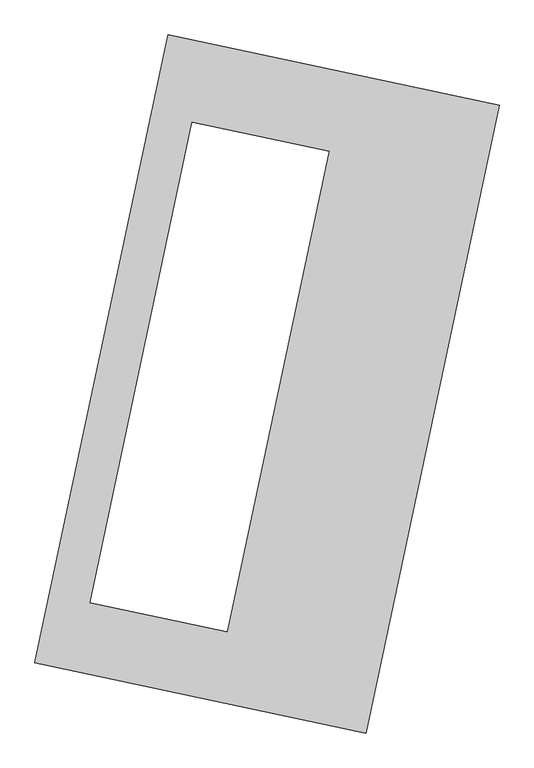
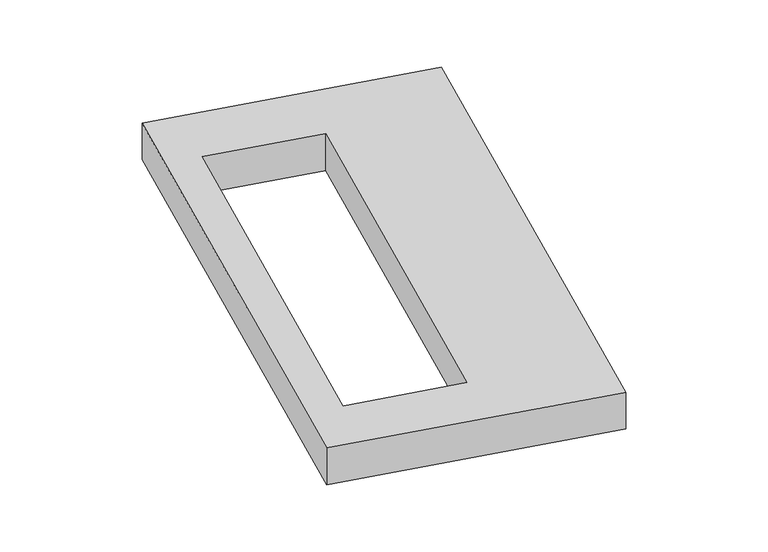
"""IFC4 building model written with IfcOpenShell, lengths in millimetres: proxy geometry."""

import ifcopenshell
import ifcopenshell.guid

model = None  # the IFC model being written
_history = None  # IfcOwnerHistory: only IFC2X3 demands one
_inside = {}  # id of a spatial element -> (the spatial element, [elements in it])
_under = {}  # id of a project, library or spatial element -> (it, [spatial elements below it])
_declared = {}  # id of a project -> (the project, [libraries it declares])
_typed = {}  # id of a type object -> (the type object, [elements of that type])
_made_of = {}  # id of a material, layer set ... -> (it, [elements and type objects made of it])


def new_model(schema):
    """Start an empty IFC model of exactly this schema.

    Asked for "IFC4X3", IfcOpenShell would pick the latest addendum, in which some entities
    have other attributes; the version numbers below select the first issue.
    IFC2X3 requires an IfcOwnerHistory on every rooted entity: one is made here for all.
    """
    global model, _history
    if schema == "IFC4X3":
        model = ifcopenshell.file(schema_version=(4, 3, 0, 0))
    else:
        model = ifcopenshell.file(schema=schema)
    _inside.clear()
    _under.clear()
    _declared.clear()
    _typed.clear()
    _made_of.clear()
    _history = None
    if model.schema == "IFC2X3":
        org = make("IfcOrganization", Name="unknown")
        user = make(
            "IfcPersonAndOrganization",
            ThePerson=make("IfcPerson", FamilyName="unknown"),
            TheOrganization=org,
        )
        app = make(
            "IfcApplication",
            ApplicationDeveloper=org,
            Version="unknown",
            ApplicationFullName="unknown",
            ApplicationIdentifier="unknown",
        )
        _history = make(
            "IfcOwnerHistory",
            OwningUser=user,
            OwningApplication=app,
            ChangeAction="ADDED",
            CreationDate=0,
        )
    return model


def make(cls, **values):
    """One entity of the class cls with the attributes given. An attribute that is None is left unset."""
    return model.create_entity(
        cls, **{name: value for name, value in values.items() if value is not None}
    )


def rooted(cls, **values):
    """An entity with a GlobalId (a new one), such as an element, a storey or a relation."""
    return make(cls, GlobalId=ifcopenshell.guid.new(), OwnerHistory=_history, **values)


def si_unit(unit_type, name, prefix=None):
    """IfcSIUnit, for example si_unit("LENGTHUNIT", "METRE", prefix="MILLI")."""
    return make("IfcSIUnit", UnitType=unit_type, Prefix=prefix, Name=name)


def assignment(units):
    """IfcUnitAssignment: the units of a project."""
    return None if units is None else make("IfcUnitAssignment", Units=units)


def point(xyz):
    """IfcCartesianPoint."""
    return None if xyz is None else make("IfcCartesianPoint", Coordinates=xyz)


def direction(xyz):
    """IfcDirection."""
    return None if xyz is None else make("IfcDirection", DirectionRatios=xyz)


def frame(location, z_axis=None, x_axis=None):
    """IfcAxis2Placement3D, a coordinate frame: its origin and axes. An axis left out is left unset."""
    return make(
        "IfcAxis2Placement3D",
        Location=point(location),
        Axis=direction(z_axis),
        RefDirection=direction(x_axis),
    )


def origin():
    """The frame at (0, 0, 0) with its axes left unset."""
    return frame((0.0, 0.0, 0.0))


def origin_with_axes():
    """The frame at (0, 0, 0) with the z axis (0, 0, 1) and the x axis (1, 0, 0) written out."""
    return frame((0.0, 0.0, 0.0), z_axis=(0.0, 0.0, 1.0), x_axis=(1.0, 0.0, 0.0))


def place(relative_to, where):
    """IfcLocalPlacement: puts the frame where relative to a parent placement (None: the world)."""
    return make(
        "IfcLocalPlacement", PlacementRelTo=relative_to, RelativePlacement=where
    )


def context(
    kind, dimensions, precision=None, world=None, true_north=None, identifier=None
):
    """IfcGeometricRepresentationContext, for example the 3D "Model" context."""
    return make(
        "IfcGeometricRepresentationContext",
        ContextIdentifier=identifier,
        ContextType=kind,
        CoordinateSpaceDimension=dimensions,
        Precision=precision,
        WorldCoordinateSystem=world,
        TrueNorth=true_north,
    )


def project(units=None, contexts=None):
    """IfcProject with its units and contexts."""
    return rooted(
        "IfcProject",
        Name="project",
        RepresentationContexts=contexts,
        UnitsInContext=assignment(units),
    )


def spatial(cls, under=None, at=None, **own):
    """A site, building, storey or space (cls), placed at a placement, below another one or the project."""
    s = rooted(cls, ObjectPlacement=at, **own)
    if under is not None:
        _under.setdefault(under.id(), (under, []))[1].append(s)
    return s


def polyline(points):
    """IfcPolyline through the points."""
    return make("IfcPolyline", Points=[point(p) for p in points])


def outline(outer, holes=None, kind="AREA"):
    """IfcArbitraryClosedProfileDef: a profile drawn as a closed curve; with holes, ...WithVoids."""
    if holes is None:
        return make("IfcArbitraryClosedProfileDef", ProfileType=kind, OuterCurve=outer)
    return make(
        "IfcArbitraryProfileDefWithVoids",
        ProfileType=kind,
        OuterCurve=outer,
        InnerCurves=holes,
    )


def extrude(swept, where, along, depth):
    """IfcExtrudedAreaSolid: the profile swept, set in the frame where, extruded along a direction by depth."""
    return make(
        "IfcExtrudedAreaSolid",
        SweptArea=swept,
        Position=where,
        ExtrudedDirection=direction(along),
        Depth=depth,
    )


def shape(context_of_items, identifier, shape_type, items):
    """IfcShapeRepresentation: the items that make up one representation, for example the "Body"."""
    return make(
        "IfcShapeRepresentation",
        ContextOfItems=context_of_items,
        RepresentationIdentifier=identifier,
        RepresentationType=shape_type,
        Items=items,
    )


def source(mapping_origin, context_of_items, identifier, shape_type, items):
    """IfcRepresentationMap: a shape defined once, which mapped items show again and again."""
    return make(
        "IfcRepresentationMap",
        MappingOrigin=mapping_origin,
        MappedRepresentation=shape(context_of_items, identifier, shape_type, items),
    )


def transform(
    local_origin,
    x_axis=None,
    y_axis=None,
    z_axis=None,
    scale=None,
    scale2=None,
    scale3=None,
    uniform=True,
):
    """IfcCartesianTransformationOperator3D, or its non-uniform kind. x_axis, y_axis, z_axis: its Axis1, 2, 3."""
    if uniform:
        return make(
            "IfcCartesianTransformationOperator3D",
            Axis1=direction(x_axis),
            Axis2=direction(y_axis),
            LocalOrigin=point(local_origin),
            Scale=scale,
            Axis3=direction(z_axis),
        )
    return make(
        "IfcCartesianTransformationOperator3DnonUniform",
        Axis1=direction(x_axis),
        Axis2=direction(y_axis),
        LocalOrigin=point(local_origin),
        Scale=scale,
        Axis3=direction(z_axis),
        Scale2=scale2,
        Scale3=scale3,
    )


def mapped(mapping_source, mapping_target):
    """IfcMappedItem: shows the shape of a source again, moved by a transform."""
    return make(
        "IfcMappedItem", MappingSource=mapping_source, MappingTarget=mapping_target
    )


def made_of(thing, what):
    """Note that an element or type object is made of a material, layer set ...; save() writes the relation."""
    if what is not None:
        _made_of.setdefault(what.id(), (what, []))[1].append(thing)
    return thing


def element(
    cls,
    number,
    at=None,
    inside=None,
    cuts=None,
    type_object=None,
    material=None,
    context=None,
    identifier="Body",
    shape_type=None,
    held_by="IfcProductDefinitionShape",
    body=None,
    shapes=None,
    **own,
):
    """One element of the class cls, such as IfcWall. Its Tag is "e" and its number.

    at: its placement. inside: the storey or other place that contains it. cuts: it is an
    opening in that element (IfcRelVoidsElement). A single representation is given by context,
    identifier, shape_type and body (its items); several are given by shapes. held_by: the class
    of the entity that holds the representations. save() writes the other relations.
    """
    e = rooted(cls, Tag="e%d" % number, ObjectPlacement=at, **own)
    if body is not None:
        shapes = [shape(context, identifier, shape_type, body)]
    if shapes is not None:
        e.Representation = make(held_by, Representations=shapes)
    if inside is not None:
        _inside.setdefault(inside.id(), (inside, []))[1].append(e)
    if cuts is not None:
        rooted(
            "IfcRelVoidsElement", RelatingBuildingElement=cuts, RelatedOpeningElement=e
        )
    if type_object is not None:
        _typed.setdefault(type_object.id(), (type_object, []))[1].append(e)
    return made_of(e, material)


def aggregate(whole, parts):
    """IfcRelAggregates: a whole, such as a stair, and the parts it consists of."""
    return rooted("IfcRelAggregates", RelatingObject=whole, RelatedObjects=parts)


def save(model, path):
    """Write the relations noted so far, then the file.

    IfcRelAggregates (storeys below a building ...), IfcRelContainedInSpatialStructure (elements
    in a storey), IfcRelDefinesByType, IfcRelAssociatesMaterial and IfcRelDeclares: one each for
    every whole, place, type object, material and project.
    """
    for whole, parts in _under.values():
        aggregate(whole, parts)
    for where, things in _inside.values():
        rooted(
            "IfcRelContainedInSpatialStructure",
            RelatedElements=things,
            RelatingStructure=where,
        )
    for kind, things in _typed.values():
        rooted("IfcRelDefinesByType", RelatedObjects=things, RelatingType=kind)
    for what, things in _made_of.values():
        rooted("IfcRelAssociatesMaterial", RelatedObjects=things, RelatingMaterial=what)
    for by, libraries in _declared.values():
        rooted("IfcRelDeclares", RelatingContext=by, RelatedDefinitions=libraries)
    model.write(path)


def generic_models_127ff6e9(model_context):
    return source(origin(), model_context, "Body", "SweptSolid", [
        extrude(outline(polyline([(-617.3692021, 2175.5580432), (1447.7508745, 1737.3010494), (617.3692021, -2175.5580432), (-1447.7508745, -1737.3010494), (-617.3692021, 2175.5580432)]), holes=[polyline([(385.6203087, 1451.605303), (-466.8871869, 1632.5232924), (-1102.6083161, -1363.0717255), (-250.1008205, -1543.9897149), (385.6203087, 1451.605303)])]), origin_with_axes(), (0.0, 0.0, 1.0), 300.0),
    ])


if __name__ == "__main__":
    model = new_model("IFC4")
    model_context = context("Model", 3, world=origin())
    ifc_project = project(units=[si_unit("LENGTHUNIT", "METRE", prefix="MILLI")], contexts=[model_context])
    site = spatial("IfcSite", under=ifc_project)
    building = spatial("IfcBuilding", under=site)
    placement = place(None, origin())
    generic_models_shape = generic_models_127ff6e9(model_context)
    element("IfcBuildingElementProxy", 1, Name="Generic Models", at=placement, inside=building, context=model_context, shape_type="MappedRepresentation", body=[
        mapped(generic_models_shape, transform((0.0, 0.0, 0.0), x_axis=(1.0, 0.0, 0.0), y_axis=(0.0, 1.0, 0.0), z_axis=(0.0, 0.0, 1.0))),
    ])
    save(model, "model.ifc")
